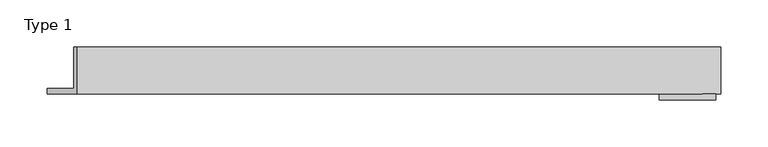
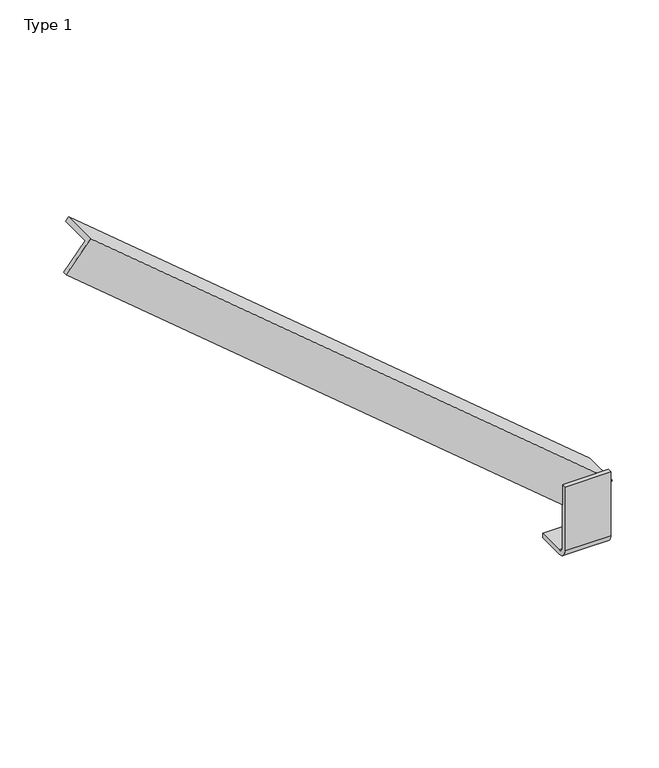
"""IFC4 building model written with IfcOpenShell, lengths in millimetres: proxy geometry, Type 1."""

from ifc_helpers import new_model, si_unit, point, frame, frame_2d, origin, place, context, project, spatial, polyline, circle_curve, trimmed, segment, composite_curve, outline, extrude, source, transform, mapped, element, save


def type_1_93ac807b(model_context):
    return source(origin(), model_context, "Body", "SweptSolid", [
        extrude(outline(polyline([(0.0, 25.0000001), (6.0, 25.0000001), (6.0, -19.0), (50.0, -19.0), (50.0, -24.9999999), (0.0, -24.9999999), (0.0, 25.0000001)])), frame((19.1511111, 153.5, 163.9303098), z_axis=(-0.7660444431189752, 0.0, 0.6427876096865428), x_axis=(0.0, 1.0, 0.0)), (0.0, 0.0, 1.0), 890.0908665),
        extrude(outline(composite_curve([segment(polyline([(159.5, 106.0), (197.5, 106.0), (197.5, 100.0), (159.5, 100.0)]), True, "CONTINUOUS"), segment(trimmed(circle_curve(frame_2d((159.5, 112.0)), 12.0), [point((159.5, 100.0))], [point((147.5, 112.0))], False, "CARTESIAN"), True, "CONTINUOUS"), segment(polyline([(147.5, 112.0), (147.5, 200.0), (153.5, 200.0), (153.5, 112.0)]), True, "CONTINUOUS"), segment(trimmed(circle_curve(frame_2d((159.5, 112.0)), 6.0), [point((153.5, 112.0))], [point((159.5, 106.0))], True, "CARTESIAN"), True, "CONTINUOUS")], self_intersect=False)), frame((-30.0, 0.0, 0.0), z_axis=(1.0, 0.0, 0.0), x_axis=(0.0, 1.0, 0.0)), (0.0, 0.0, 1.0), 60.0),
    ])


if __name__ == "__main__":
    model = new_model("IFC4")
    model_context = context("Model", 3, world=origin())
    ifc_project = project(units=[si_unit("LENGTHUNIT", "METRE", prefix="MILLI")], contexts=[model_context])
    site = spatial("IfcSite", under=ifc_project)
    building = spatial("IfcBuilding", under=site)
    placement = place(None, origin())
    type_1_shape = type_1_93ac807b(model_context)
    element("IfcBuildingElementProxy", 1, Name="Type 1", ObjectType="Type 1", at=placement, inside=building, context=model_context, shape_type="MappedRepresentation", body=[
        mapped(type_1_shape, transform((0.0, 0.0, 0.0), x_axis=(1.0, 0.0, 0.0), y_axis=(0.0, 1.0, 0.0), z_axis=(0.0, 0.0, 1.0))),
    ])
    save(model, "model.ifc")
